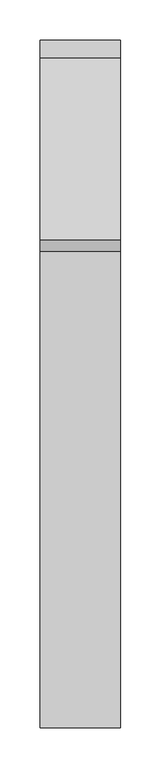
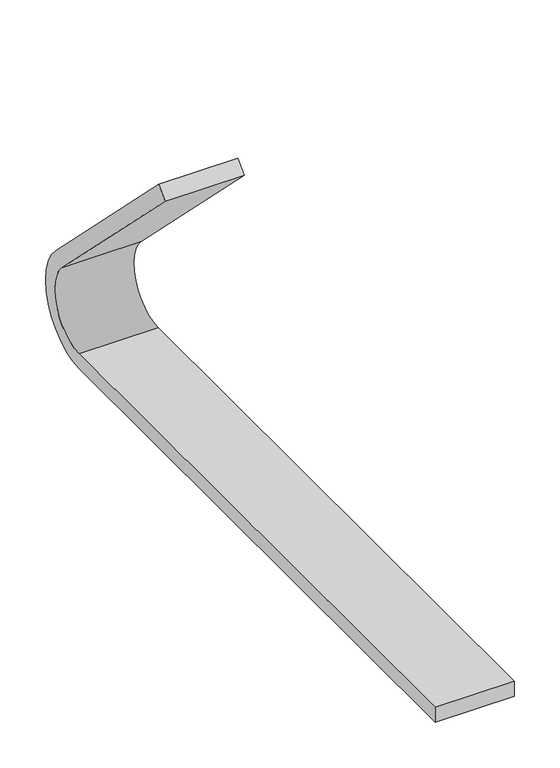
"""IFC4 building model written with IfcOpenShell, lengths in millimetres: proxy geometry."""

import ifcopenshell
import ifcopenshell.guid

model = None  # the IFC model being written
_history = None  # IfcOwnerHistory: only IFC2X3 demands one
_inside = {}  # id of a spatial element -> (the spatial element, [elements in it])
_under = {}  # id of a project, library or spatial element -> (it, [spatial elements below it])
_declared = {}  # id of a project -> (the project, [libraries it declares])
_typed = {}  # id of a type object -> (the type object, [elements of that type])
_made_of = {}  # id of a material, layer set ... -> (it, [elements and type objects made of it])


def new_model(schema):
    """Start an empty IFC model of exactly this schema.

    Asked for "IFC4X3", IfcOpenShell would pick the latest addendum, in which some entities
    have other attributes; the version numbers below select the first issue.
    IFC2X3 requires an IfcOwnerHistory on every rooted entity: one is made here for all.
    """
    global model, _history
    if schema == "IFC4X3":
        model = ifcopenshell.file(schema_version=(4, 3, 0, 0))
    else:
        model = ifcopenshell.file(schema=schema)
    _inside.clear()
    _under.clear()
    _declared.clear()
    _typed.clear()
    _made_of.clear()
    _history = None
    if model.schema == "IFC2X3":
        org = make("IfcOrganization", Name="unknown")
        user = make(
            "IfcPersonAndOrganization",
            ThePerson=make("IfcPerson", FamilyName="unknown"),
            TheOrganization=org,
        )
        app = make(
            "IfcApplication",
            ApplicationDeveloper=org,
            Version="unknown",
            ApplicationFullName="unknown",
            ApplicationIdentifier="unknown",
        )
        _history = make(
            "IfcOwnerHistory",
            OwningUser=user,
            OwningApplication=app,
            ChangeAction="ADDED",
            CreationDate=0,
        )
    return model


def make(cls, **values):
    """One entity of the class cls with the attributes given. An attribute that is None is left unset."""
    return model.create_entity(
        cls, **{name: value for name, value in values.items() if value is not None}
    )


def rooted(cls, **values):
    """An entity with a GlobalId (a new one), such as an element, a storey or a relation."""
    return make(cls, GlobalId=ifcopenshell.guid.new(), OwnerHistory=_history, **values)


def si_unit(unit_type, name, prefix=None):
    """IfcSIUnit, for example si_unit("LENGTHUNIT", "METRE", prefix="MILLI")."""
    return make("IfcSIUnit", UnitType=unit_type, Prefix=prefix, Name=name)


def assignment(units):
    """IfcUnitAssignment: the units of a project."""
    return None if units is None else make("IfcUnitAssignment", Units=units)


def point(xyz):
    """IfcCartesianPoint."""
    return None if xyz is None else make("IfcCartesianPoint", Coordinates=xyz)


def direction(xyz):
    """IfcDirection."""
    return None if xyz is None else make("IfcDirection", DirectionRatios=xyz)


def frame(location, z_axis=None, x_axis=None):
    """IfcAxis2Placement3D, a coordinate frame: its origin and axes. An axis left out is left unset."""
    return make(
        "IfcAxis2Placement3D",
        Location=point(location),
        Axis=direction(z_axis),
        RefDirection=direction(x_axis),
    )


def frame_2d(location, x_axis=None):
    """IfcAxis2Placement2D, a coordinate frame in the plane: its origin and x axis."""
    return make(
        "IfcAxis2Placement2D", Location=point(location), RefDirection=direction(x_axis)
    )


def origin():
    """The frame at (0, 0, 0) with its axes left unset."""
    return frame((0.0, 0.0, 0.0))


def place(relative_to, where):
    """IfcLocalPlacement: puts the frame where relative to a parent placement (None: the world)."""
    return make(
        "IfcLocalPlacement", PlacementRelTo=relative_to, RelativePlacement=where
    )


def context(
    kind, dimensions, precision=None, world=None, true_north=None, identifier=None
):
    """IfcGeometricRepresentationContext, for example the 3D "Model" context."""
    return make(
        "IfcGeometricRepresentationContext",
        ContextIdentifier=identifier,
        ContextType=kind,
        CoordinateSpaceDimension=dimensions,
        Precision=precision,
        WorldCoordinateSystem=world,
        TrueNorth=true_north,
    )


def project(units=None, contexts=None):
    """IfcProject with its units and contexts."""
    return rooted(
        "IfcProject",
        Name="project",
        RepresentationContexts=contexts,
        UnitsInContext=assignment(units),
    )


def spatial(cls, under=None, at=None, **own):
    """A site, building, storey or space (cls), placed at a placement, below another one or the project."""
    s = rooted(cls, ObjectPlacement=at, **own)
    if under is not None:
        _under.setdefault(under.id(), (under, []))[1].append(s)
    return s


def polyline(points):
    """IfcPolyline through the points."""
    return make("IfcPolyline", Points=[point(p) for p in points])


def circle_curve(where, radius):
    """IfcCircle in the frame where."""
    return make("IfcCircle", Position=where, Radius=radius)


def trimmed(basis, trim1, trim2, sense, master):
    """IfcTrimmedCurve: the piece of a basis curve between two trims."""
    return make(
        "IfcTrimmedCurve",
        BasisCurve=basis,
        Trim1=trim1,
        Trim2=trim2,
        SenseAgreement=sense,
        MasterRepresentation=master,
    )


def segment(curve, same_sense, transition):
    """IfcCompositeCurveSegment."""
    return make(
        "IfcCompositeCurveSegment",
        Transition=transition,
        SameSense=same_sense,
        ParentCurve=curve,
    )


def composite_curve(segments, self_intersect=None):
    """IfcCompositeCurve: segments joined end to end."""
    return make("IfcCompositeCurve", Segments=segments, SelfIntersect=self_intersect)


def outline(outer, holes=None, kind="AREA"):
    """IfcArbitraryClosedProfileDef: a profile drawn as a closed curve; with holes, ...WithVoids."""
    if holes is None:
        return make("IfcArbitraryClosedProfileDef", ProfileType=kind, OuterCurve=outer)
    return make(
        "IfcArbitraryProfileDefWithVoids",
        ProfileType=kind,
        OuterCurve=outer,
        InnerCurves=holes,
    )


def extrude(swept, where, along, depth):
    """IfcExtrudedAreaSolid: the profile swept, set in the frame where, extruded along a direction by depth."""
    return make(
        "IfcExtrudedAreaSolid",
        SweptArea=swept,
        Position=where,
        ExtrudedDirection=direction(along),
        Depth=depth,
    )


def shape(context_of_items, identifier, shape_type, items):
    """IfcShapeRepresentation: the items that make up one representation, for example the "Body"."""
    return make(
        "IfcShapeRepresentation",
        ContextOfItems=context_of_items,
        RepresentationIdentifier=identifier,
        RepresentationType=shape_type,
        Items=items,
    )


def source(mapping_origin, context_of_items, identifier, shape_type, items):
    """IfcRepresentationMap: a shape defined once, which mapped items show again and again."""
    return make(
        "IfcRepresentationMap",
        MappingOrigin=mapping_origin,
        MappedRepresentation=shape(context_of_items, identifier, shape_type, items),
    )


def transform(
    local_origin,
    x_axis=None,
    y_axis=None,
    z_axis=None,
    scale=None,
    scale2=None,
    scale3=None,
    uniform=True,
):
    """IfcCartesianTransformationOperator3D, or its non-uniform kind. x_axis, y_axis, z_axis: its Axis1, 2, 3."""
    if uniform:
        return make(
            "IfcCartesianTransformationOperator3D",
            Axis1=direction(x_axis),
            Axis2=direction(y_axis),
            LocalOrigin=point(local_origin),
            Scale=scale,
            Axis3=direction(z_axis),
        )
    return make(
        "IfcCartesianTransformationOperator3DnonUniform",
        Axis1=direction(x_axis),
        Axis2=direction(y_axis),
        LocalOrigin=point(local_origin),
        Scale=scale,
        Axis3=direction(z_axis),
        Scale2=scale2,
        Scale3=scale3,
    )


def mapped(mapping_source, mapping_target):
    """IfcMappedItem: shows the shape of a source again, moved by a transform."""
    return make(
        "IfcMappedItem", MappingSource=mapping_source, MappingTarget=mapping_target
    )


def made_of(thing, what):
    """Note that an element or type object is made of a material, layer set ...; save() writes the relation."""
    if what is not None:
        _made_of.setdefault(what.id(), (what, []))[1].append(thing)
    return thing


def element(
    cls,
    number,
    at=None,
    inside=None,
    cuts=None,
    type_object=None,
    material=None,
    context=None,
    identifier="Body",
    shape_type=None,
    held_by="IfcProductDefinitionShape",
    body=None,
    shapes=None,
    **own,
):
    """One element of the class cls, such as IfcWall. Its Tag is "e" and its number.

    at: its placement. inside: the storey or other place that contains it. cuts: it is an
    opening in that element (IfcRelVoidsElement). A single representation is given by context,
    identifier, shape_type and body (its items); several are given by shapes. held_by: the class
    of the entity that holds the representations. save() writes the other relations.
    """
    e = rooted(cls, Tag="e%d" % number, ObjectPlacement=at, **own)
    if body is not None:
        shapes = [shape(context, identifier, shape_type, body)]
    if shapes is not None:
        e.Representation = make(held_by, Representations=shapes)
    if inside is not None:
        _inside.setdefault(inside.id(), (inside, []))[1].append(e)
    if cuts is not None:
        rooted(
            "IfcRelVoidsElement", RelatingBuildingElement=cuts, RelatedOpeningElement=e
        )
    if type_object is not None:
        _typed.setdefault(type_object.id(), (type_object, []))[1].append(e)
    return made_of(e, material)


def aggregate(whole, parts):
    """IfcRelAggregates: a whole, such as a stair, and the parts it consists of."""
    return rooted("IfcRelAggregates", RelatingObject=whole, RelatedObjects=parts)


def save(model, path):
    """Write the relations noted so far, then the file.

    IfcRelAggregates (storeys below a building ...), IfcRelContainedInSpatialStructure (elements
    in a storey), IfcRelDefinesByType, IfcRelAssociatesMaterial and IfcRelDeclares: one each for
    every whole, place, type object, material and project.
    """
    for whole, parts in _under.values():
        aggregate(whole, parts)
    for where, things in _inside.values():
        rooted(
            "IfcRelContainedInSpatialStructure",
            RelatedElements=things,
            RelatingStructure=where,
        )
    for kind, things in _typed.values():
        rooted("IfcRelDefinesByType", RelatedObjects=things, RelatingType=kind)
    for what, things in _made_of.values():
        rooted("IfcRelAssociatesMaterial", RelatedObjects=things, RelatingMaterial=what)
    for by, libraries in _declared.values():
        rooted("IfcRelDeclares", RelatingContext=by, RelatedDefinitions=libraries)
    model.write(path)


def generic_models_b92738b7(model_context):
    return source(origin(), model_context, "Body", "SweptSolid", [
        extrude(outline(composite_curve([segment(polyline([(988.4549163, -785.1234927), (208.7685453, -785.1234927), (208.7685453, -765.1234927), (988.6921772, -765.1234927)]), True, "CONTINUOUS"), segment(trimmed(circle_curve(frame_2d((988.6921772, -711.3675436)), 53.7559492), [point((988.6921772, -765.1234927))], [point((1026.7033734, -673.3563474))], True, "CARTESIAN"), True, "CONTINUOUS"), segment(polyline([(1026.7033734, -673.3563474), (800.4065396, -447.0595135), (814.5486752, -432.9173779), (1040.6777402, -659.0464429)]), True, "CONTINUOUS"), segment(trimmed(circle_curve(frame_2d((988.4549163, -711.2692669)), 73.8542259), [point((1040.6777402, -659.0464429))], [point((988.4549163, -785.1234927))], False, "CARTESIAN"), True, "CONTINUOUS")], self_intersect=False)), frame((277.816976, 0.0, 0.0), z_axis=(1.0, 0.0, 0.0), x_axis=(0.0, 1.0, 0.0)), (0.0, 0.0, 1.0), 99.9158586),
    ])


if __name__ == "__main__":
    model = new_model("IFC4")
    model_context = context("Model", 3, world=origin())
    ifc_project = project(units=[si_unit("LENGTHUNIT", "METRE", prefix="MILLI")], contexts=[model_context])
    site = spatial("IfcSite", under=ifc_project)
    building = spatial("IfcBuilding", under=site)
    placement = place(None, origin())
    generic_models_shape = generic_models_b92738b7(model_context)
    element("IfcBuildingElementProxy", 1, Name="Generic Models", at=placement, inside=building, context=model_context, shape_type="MappedRepresentation", body=[
        mapped(generic_models_shape, transform((0.0, 0.0, 0.0), x_axis=(1.0, 0.0, 0.0), y_axis=(0.0, 1.0, 0.0), z_axis=(0.0, 0.0, 1.0))),
    ])
    save(model, "model.ifc")
